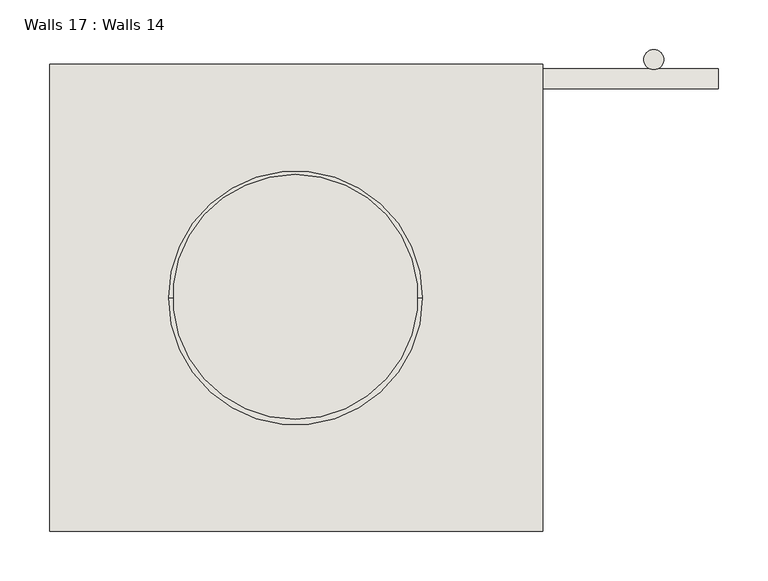
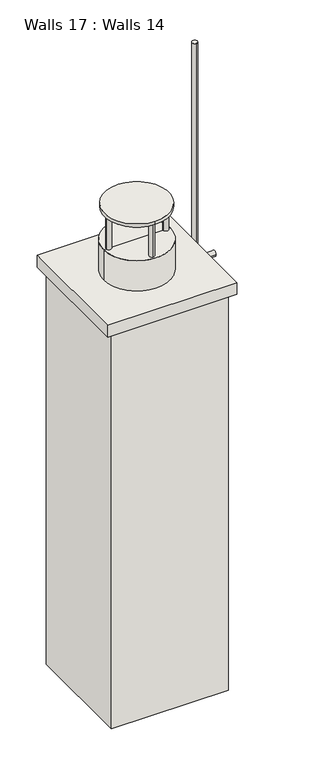
"""IFC4 building model written with IfcOpenShell, lengths in millimetres: wall geometry, Walls 17 : Walls 14."""

import ifcopenshell
import ifcopenshell.guid

model = None  # the IFC model being written
_history = None  # IfcOwnerHistory: only IFC2X3 demands one
_inside = {}  # id of a spatial element -> (the spatial element, [elements in it])
_under = {}  # id of a project, library or spatial element -> (it, [spatial elements below it])
_declared = {}  # id of a project -> (the project, [libraries it declares])
_typed = {}  # id of a type object -> (the type object, [elements of that type])
_made_of = {}  # id of a material, layer set ... -> (it, [elements and type objects made of it])


def new_model(schema):
    """Start an empty IFC model of exactly this schema.

    Asked for "IFC4X3", IfcOpenShell would pick the latest addendum, in which some entities
    have other attributes; the version numbers below select the first issue.
    IFC2X3 requires an IfcOwnerHistory on every rooted entity: one is made here for all.
    """
    global model, _history
    if schema == "IFC4X3":
        model = ifcopenshell.file(schema_version=(4, 3, 0, 0))
    else:
        model = ifcopenshell.file(schema=schema)
    _inside.clear()
    _under.clear()
    _declared.clear()
    _typed.clear()
    _made_of.clear()
    _history = None
    if model.schema == "IFC2X3":
        org = make("IfcOrganization", Name="unknown")
        user = make(
            "IfcPersonAndOrganization",
            ThePerson=make("IfcPerson", FamilyName="unknown"),
            TheOrganization=org,
        )
        app = make(
            "IfcApplication",
            ApplicationDeveloper=org,
            Version="unknown",
            ApplicationFullName="unknown",
            ApplicationIdentifier="unknown",
        )
        _history = make(
            "IfcOwnerHistory",
            OwningUser=user,
            OwningApplication=app,
            ChangeAction="ADDED",
            CreationDate=0,
        )
    return model


def make(cls, **values):
    """One entity of the class cls with the attributes given. An attribute that is None is left unset."""
    return model.create_entity(
        cls, **{name: value for name, value in values.items() if value is not None}
    )


def rooted(cls, **values):
    """An entity with a GlobalId (a new one), such as an element, a storey or a relation."""
    return make(cls, GlobalId=ifcopenshell.guid.new(), OwnerHistory=_history, **values)


def si_unit(unit_type, name, prefix=None):
    """IfcSIUnit, for example si_unit("LENGTHUNIT", "METRE", prefix="MILLI")."""
    return make("IfcSIUnit", UnitType=unit_type, Prefix=prefix, Name=name)


def assignment(units):
    """IfcUnitAssignment: the units of a project."""
    return None if units is None else make("IfcUnitAssignment", Units=units)


def point(xyz):
    """IfcCartesianPoint."""
    return None if xyz is None else make("IfcCartesianPoint", Coordinates=xyz)


def direction(xyz):
    """IfcDirection."""
    return None if xyz is None else make("IfcDirection", DirectionRatios=xyz)


def frame(location, z_axis=None, x_axis=None):
    """IfcAxis2Placement3D, a coordinate frame: its origin and axes. An axis left out is left unset."""
    return make(
        "IfcAxis2Placement3D",
        Location=point(location),
        Axis=direction(z_axis),
        RefDirection=direction(x_axis),
    )


def frame_2d(location, x_axis=None):
    """IfcAxis2Placement2D, a coordinate frame in the plane: its origin and x axis."""
    return make(
        "IfcAxis2Placement2D", Location=point(location), RefDirection=direction(x_axis)
    )


def origin():
    """The frame at (0, 0, 0) with its axes left unset."""
    return frame((0.0, 0.0, 0.0))


def place(relative_to, where):
    """IfcLocalPlacement: puts the frame where relative to a parent placement (None: the world)."""
    return make(
        "IfcLocalPlacement", PlacementRelTo=relative_to, RelativePlacement=where
    )


def context(
    kind, dimensions, precision=None, world=None, true_north=None, identifier=None
):
    """IfcGeometricRepresentationContext, for example the 3D "Model" context."""
    return make(
        "IfcGeometricRepresentationContext",
        ContextIdentifier=identifier,
        ContextType=kind,
        CoordinateSpaceDimension=dimensions,
        Precision=precision,
        WorldCoordinateSystem=world,
        TrueNorth=true_north,
    )


def project(units=None, contexts=None):
    """IfcProject with its units and contexts."""
    return rooted(
        "IfcProject",
        Name="project",
        RepresentationContexts=contexts,
        UnitsInContext=assignment(units),
    )


def spatial(cls, under=None, at=None, **own):
    """A site, building, storey or space (cls), placed at a placement, below another one or the project."""
    s = rooted(cls, ObjectPlacement=at, **own)
    if under is not None:
        _under.setdefault(under.id(), (under, []))[1].append(s)
    return s


def polyline(points):
    """IfcPolyline through the points."""
    return make("IfcPolyline", Points=[point(p) for p in points])


def circle_curve(where, radius):
    """IfcCircle in the frame where."""
    return make("IfcCircle", Position=where, Radius=radius)


def trimmed(basis, trim1, trim2, sense, master):
    """IfcTrimmedCurve: the piece of a basis curve between two trims."""
    return make(
        "IfcTrimmedCurve",
        BasisCurve=basis,
        Trim1=trim1,
        Trim2=trim2,
        SenseAgreement=sense,
        MasterRepresentation=master,
    )


def segment(curve, same_sense, transition):
    """IfcCompositeCurveSegment."""
    return make(
        "IfcCompositeCurveSegment",
        Transition=transition,
        SameSense=same_sense,
        ParentCurve=curve,
    )


def composite_curve(segments, self_intersect=None):
    """IfcCompositeCurve: segments joined end to end."""
    return make("IfcCompositeCurve", Segments=segments, SelfIntersect=self_intersect)


def outline(outer, holes=None, kind="AREA"):
    """IfcArbitraryClosedProfileDef: a profile drawn as a closed curve; with holes, ...WithVoids."""
    if holes is None:
        return make("IfcArbitraryClosedProfileDef", ProfileType=kind, OuterCurve=outer)
    return make(
        "IfcArbitraryProfileDefWithVoids",
        ProfileType=kind,
        OuterCurve=outer,
        InnerCurves=holes,
    )


def extrude(swept, where, along, depth):
    """IfcExtrudedAreaSolid: the profile swept, set in the frame where, extruded along a direction by depth."""
    return make(
        "IfcExtrudedAreaSolid",
        SweptArea=swept,
        Position=where,
        ExtrudedDirection=direction(along),
        Depth=depth,
    )


def shape(context_of_items, identifier, shape_type, items):
    """IfcShapeRepresentation: the items that make up one representation, for example the "Body"."""
    return make(
        "IfcShapeRepresentation",
        ContextOfItems=context_of_items,
        RepresentationIdentifier=identifier,
        RepresentationType=shape_type,
        Items=items,
    )


def source(mapping_origin, context_of_items, identifier, shape_type, items):
    """IfcRepresentationMap: a shape defined once, which mapped items show again and again."""
    return make(
        "IfcRepresentationMap",
        MappingOrigin=mapping_origin,
        MappedRepresentation=shape(context_of_items, identifier, shape_type, items),
    )


def transform(
    local_origin,
    x_axis=None,
    y_axis=None,
    z_axis=None,
    scale=None,
    scale2=None,
    scale3=None,
    uniform=True,
):
    """IfcCartesianTransformationOperator3D, or its non-uniform kind. x_axis, y_axis, z_axis: its Axis1, 2, 3."""
    if uniform:
        return make(
            "IfcCartesianTransformationOperator3D",
            Axis1=direction(x_axis),
            Axis2=direction(y_axis),
            LocalOrigin=point(local_origin),
            Scale=scale,
            Axis3=direction(z_axis),
        )
    return make(
        "IfcCartesianTransformationOperator3DnonUniform",
        Axis1=direction(x_axis),
        Axis2=direction(y_axis),
        LocalOrigin=point(local_origin),
        Scale=scale,
        Axis3=direction(z_axis),
        Scale2=scale2,
        Scale3=scale3,
    )


def mapped(mapping_source, mapping_target):
    """IfcMappedItem: shows the shape of a source again, moved by a transform."""
    return make(
        "IfcMappedItem", MappingSource=mapping_source, MappingTarget=mapping_target
    )


def made_of(thing, what):
    """Note that an element or type object is made of a material, layer set ...; save() writes the relation."""
    if what is not None:
        _made_of.setdefault(what.id(), (what, []))[1].append(thing)
    return thing


def element(
    cls,
    number,
    at=None,
    inside=None,
    cuts=None,
    type_object=None,
    material=None,
    context=None,
    identifier="Body",
    shape_type=None,
    held_by="IfcProductDefinitionShape",
    body=None,
    shapes=None,
    **own,
):
    """One element of the class cls, such as IfcWall. Its Tag is "e" and its number.

    at: its placement. inside: the storey or other place that contains it. cuts: it is an
    opening in that element (IfcRelVoidsElement). A single representation is given by context,
    identifier, shape_type and body (its items); several are given by shapes. held_by: the class
    of the entity that holds the representations. save() writes the other relations.
    """
    e = rooted(cls, Tag="e%d" % number, ObjectPlacement=at, **own)
    if body is not None:
        shapes = [shape(context, identifier, shape_type, body)]
    if shapes is not None:
        e.Representation = make(held_by, Representations=shapes)
    if inside is not None:
        _inside.setdefault(inside.id(), (inside, []))[1].append(e)
    if cuts is not None:
        rooted(
            "IfcRelVoidsElement", RelatingBuildingElement=cuts, RelatedOpeningElement=e
        )
    if type_object is not None:
        _typed.setdefault(type_object.id(), (type_object, []))[1].append(e)
    return made_of(e, material)


def aggregate(whole, parts):
    """IfcRelAggregates: a whole, such as a stair, and the parts it consists of."""
    return rooted("IfcRelAggregates", RelatingObject=whole, RelatedObjects=parts)


def save(model, path):
    """Write the relations noted so far, then the file.

    IfcRelAggregates (storeys below a building ...), IfcRelContainedInSpatialStructure (elements
    in a storey), IfcRelDefinesByType, IfcRelAssociatesMaterial and IfcRelDeclares: one each for
    every whole, place, type object, material and project.
    """
    for whole, parts in _under.values():
        aggregate(whole, parts)
    for where, things in _inside.values():
        rooted(
            "IfcRelContainedInSpatialStructure",
            RelatedElements=things,
            RelatingStructure=where,
        )
    for kind, things in _typed.values():
        rooted("IfcRelDefinesByType", RelatedObjects=things, RelatingType=kind)
    for what, things in _made_of.values():
        rooted("IfcRelAssociatesMaterial", RelatedObjects=things, RelatingMaterial=what)
    for by, libraries in _declared.values():
        rooted("IfcRelDeclares", RelatingContext=by, RelatedDefinitions=libraries)
    model.write(path)


def plane_surface(at):
    """IfcPlane: the flat surface through the origin of the frame at, square to its z axis."""
    return make("IfcPlane", Position=at)


def cylinder_surface(at, radius):
    """IfcCylindricalSurface: all points at the distance radius from the z axis of the frame at."""
    return make("IfcCylindricalSurface", Position=at, Radius=radius)


def advanced_brep(points, edges, surfaces, faces):
    """IfcAdvancedBrep: a solid bounded by faces that lie on surfaces and meet in shared edges.

    An edge is (start, end): straight between two places in points (the first is 0);
    or (start, end, curve); or (start, end, curve, False) where it runs against its curve.
    A face is (place in surfaces, loops), or (place, loops, False) where it looks against
    its surface's normal. A loop lists edges by number (the first is 1), with a minus sign
    where the edge is run from its end to its start. The first loop is the outer one.
    """
    corners = [point(p) for p in points]
    vertices = [make("IfcVertexPoint", VertexGeometry=c) for c in corners]
    made = []
    for start, end, *more in edges:
        made.append(
            make(
                "IfcEdgeCurve",
                EdgeStart=vertices[start],
                EdgeEnd=vertices[end],
                EdgeGeometry=more[0] if more else make("IfcPolyline", Points=[corners[start], corners[end]]),
                SameSense=more[1] if len(more) > 1 else True,
            )
        )
    hull = []
    for where, loops, *sense in faces:
        bounds = []
        for j, loop in enumerate(loops):
            ring = [make("IfcOrientedEdge", EdgeElement=made[abs(k) - 1], Orientation=k > 0) for k in loop]
            bounds.append(
                make(
                    "IfcFaceOuterBound" if j == 0 else "IfcFaceBound",
                    Bound=make("IfcEdgeLoop", EdgeList=ring),
                    Orientation=True,
                )
            )
        hull.append(make("IfcAdvancedFace", Bounds=bounds, FaceSurface=surfaces[where], SameSense=sense[0] if sense else True))
    return make("IfcAdvancedBrep", Outer=make("IfcClosedShell", CfsFaces=hull))


def walls_17_walls_14_3ff1fa7d(model_context):
    return source(origin(), model_context, "Body", "SolidModel", [
        extrude(outline(composite_curve([segment(trimmed(circle_curve(frame_2d((-56547.6506195, 48545.8834886)), 10.0), [point((-56547.6506195, 48555.8834886))], [point((-56547.6506195, 48535.8834886))], False, "CARTESIAN"), True, "CONTINUOUS"), segment(trimmed(circle_curve(frame_2d((-56547.6506195, 48545.8834886)), 10.0), [point((-56547.6506195, 48535.8834886))], [point((-56547.6506195, 48555.8834886))], False, "CARTESIAN"), True, "CONTINUOUS")], self_intersect=False)), frame((0.0, 0.0, 114777.4079307), z_axis=(0.0, 0.0, 1.0), x_axis=(1.0, 0.0, 0.0)), (0.0, 0.0, 1.0), 1177.0983151),
        extrude(outline(composite_curve([segment(trimmed(circle_curve(frame_2d((48526.5486355, 115084.9767194)), 10.0), [point((48516.5486355, 115084.9767194))], [point((48536.5486355, 115084.9767194))], False, "CARTESIAN"), True, "CONTINUOUS"), segment(trimmed(circle_curve(frame_2d((48526.5486355, 115084.9767194)), 10.0), [point((48536.5486355, 115084.9767194))], [point((48516.5486355, 115084.9767194))], False, "CARTESIAN"), True, "CONTINUOUS")], self_intersect=False)), frame((-56844.1362214, 0.0, 0.0), z_axis=(1.0, 0.0, 0.0), x_axis=(0.0, 1.0, 0.0)), (0.0, 0.0, 1.0), 361.5290176),
        extrude(outline(composite_curve([segment(trimmed(circle_curve(frame_2d((48526.8863187, 114939.7040519)), 10.0), [point((48516.8863187, 114939.7040519))], [point((48536.8863187, 114939.7040519))], False, "CARTESIAN"), True, "CONTINUOUS"), segment(trimmed(circle_curve(frame_2d((48526.8863187, 114939.7040519)), 10.0), [point((48536.8863187, 114939.7040519))], [point((48516.8863187, 114939.7040519))], False, "CARTESIAN"), True, "CONTINUOUS")], self_intersect=False)), frame((-56844.1362214, 0.0, 0.0), z_axis=(1.0, 0.0, 0.0), x_axis=(0.0, 1.0, 0.0)), (0.0, 0.0, 1.0), 361.5290176),
        extrude(outline(composite_curve([segment(trimmed(circle_curve(frame_2d((-56908.6661028, 48306.868877)), 123.3421824), [point((-56908.6661028, 48183.5266946))], [point((-56908.6661028, 48430.2110595))], False, "CARTESIAN"), True, "CONTINUOUS"), segment(trimmed(circle_curve(frame_2d((-56908.6661028, 48306.868877)), 123.3421824), [point((-56908.6661028, 48430.2110595))], [point((-56908.6661028, 48183.5266946))], False, "CARTESIAN"), True, "CONTINUOUS")], self_intersect=False)), frame((0.0, 0.0, 115558.9138493), z_axis=(0.0, 0.0, 1.0), x_axis=(1.0, 0.0, 0.0)), (0.0, 0.0, 1.0), 13.0962291),
        extrude(outline(composite_curve([segment(trimmed(circle_curve(frame_2d((-56913.0269595, 48415.5937311)), 10.0), [point((-56913.0269595, 48405.5937311))], [point((-56913.0269595, 48425.5937311))], False, "CARTESIAN"), True, "CONTINUOUS"), segment(trimmed(circle_curve(frame_2d((-56913.0269595, 48415.5937311)), 10.0), [point((-56913.0269595, 48425.5937311))], [point((-56913.0269595, 48405.5937311))], False, "CARTESIAN"), True, "CONTINUOUS")], self_intersect=False)), frame((0.0, 0.0, 115426.3455574), z_axis=(0.0, 0.0, 1.0), x_axis=(1.0, 0.0, 0.0)), (0.0, 0.0, 1.0), 139.4268122),
        extrude(outline(composite_curve([segment(trimmed(circle_curve(frame_2d((-56913.7976487, 48196.7180175)), 10.0), [point((-56913.7976487, 48186.7180175))], [point((-56913.7976487, 48206.7180175))], False, "CARTESIAN"), True, "CONTINUOUS"), segment(trimmed(circle_curve(frame_2d((-56913.7976487, 48196.7180175)), 10.0), [point((-56913.7976487, 48206.7180175))], [point((-56913.7976487, 48186.7180175))], False, "CARTESIAN"), True, "CONTINUOUS")], self_intersect=False)), frame((0.0, 0.0, 115426.3455574), z_axis=(0.0, 0.0, 1.0), x_axis=(1.0, 0.0, 0.0)), (0.0, 0.0, 1.0), 139.4268122),
        extrude(outline(composite_curve([segment(trimmed(circle_curve(frame_2d((-57016.8519671, 48305.7705297)), 10.0), [point((-57006.8519671, 48305.7705297))], [point((-57026.8519671, 48305.7705297))], False, "CARTESIAN"), True, "CONTINUOUS"), segment(trimmed(circle_curve(frame_2d((-57016.8519671, 48305.7705297)), 10.0), [point((-57026.8519671, 48305.7705297))], [point((-57006.8519671, 48305.7705297))], False, "CARTESIAN"), True, "CONTINUOUS")], self_intersect=False)), frame((0.0, 0.0, 115426.3455574), z_axis=(0.0, 0.0, 1.0), x_axis=(1.0, 0.0, 0.0)), (0.0, 0.0, 1.0), 139.4268122),
        extrude(outline(composite_curve([segment(trimmed(circle_curve(frame_2d((-56797.9762535, 48304.9998406)), 10.0), [point((-56787.9762535, 48304.9998406))], [point((-56807.9762535, 48304.9998406))], False, "CARTESIAN"), True, "CONTINUOUS"), segment(trimmed(circle_curve(frame_2d((-56797.9762535, 48304.9998406)), 10.0), [point((-56807.9762535, 48304.9998406))], [point((-56787.9762535, 48304.9998406))], False, "CARTESIAN"), True, "CONTINUOUS")], self_intersect=False)), frame((0.0, 0.0, 115426.3455574), z_axis=(0.0, 0.0, 1.0), x_axis=(1.0, 0.0, 0.0)), (0.0, 0.0, 1.0), 139.4268122),
        advanced_brep(
        [(-56780.8426665, 48305.8440975, 115426.3455574), (-57036.3652265, 48305.8440975, 115426.3455574), (-56908.6039465, 48305.8440975, 115426.3455574), (-56780.8426665, 48305.8440975, 115288.035181), (-57036.3652265, 48305.8440975, 115288.035181), (-56908.6039465, 48305.8440975, 115288.035181)],
        [
            (0, 1, circle_curve(frame((-56908.6039465, 48305.8440975, 115426.3455574), z_axis=(0.0, 0.0, 1.0), x_axis=(-1.0, 0.0, 0.0)), 127.76128)),
            (1, 2),
            (2, 0),
            (1, 0, circle_curve(frame((-56908.6039465, 48305.8440975, 115426.3455574), z_axis=(0.0, 0.0, 1.0), x_axis=(-1.0, 0.0, 0.0)), 127.76128)),
            (3, 4, circle_curve(frame((-56908.6039465, 48305.8440975, 115288.035181), z_axis=(0.0, 0.0, 1.0), x_axis=(-1.0, 0.0, 0.0)), 127.76128)),
            (4, 1),
            (0, 3),
            (4, 3, circle_curve(frame((-56908.6039465, 48305.8440975, 115288.035181), z_axis=(0.0, 0.0, 1.0), x_axis=(-1.0, 0.0, 0.0)), 127.76128)),
            (5, 4),
            (3, 5),
        ],
        [
            plane_surface(frame((-56908.6039465, 48305.8440975, 115426.3455574), z_axis=(0.0, 0.0, 1.0), x_axis=(-1.0, 0.0, 0.0))),
            cylinder_surface(frame((-56908.6039465, 48305.8440975, 115426.3455574), z_axis=(0.0, 0.0, -1.0), x_axis=(-1.0, 0.0, 0.0)), 127.76128),
            plane_surface(frame((-56908.6039465, 48305.8440975, 115288.035181), z_axis=(0.0, 0.0, -1.0), x_axis=(-1.0, 0.0, 0.0))),
        ],
        [
            (0, [[1, 2, 3]]),
            (0, [[4, -3, -2]]),
            (1, [[5, 6, -1, 7]]),
            (1, [[8, -7, -4, -6]]),
            (2, [[9, -5, 10]]),
            (2, [[-10, -8, -9]]),
        ],
    ),
        extrude(outline(polyline([(-56659.5431241, 48071.0402046), (-57156.2870108, 48071.0402046), (-57156.2870108, 48541.2818677), (-56659.5431241, 48541.2818677), (-56659.5431241, 48071.0402046)])), frame((0.0, 0.0, 115255.2628867), z_axis=(0.0, 0.0, 1.0), x_axis=(1.0, 0.0, 0.0)), (0.0, 0.0, 1.0), 48.5229956),
        extrude(outline(polyline([(-56684.2276126, 48085.8440975), (-57133.3351422, 48085.8440975), (-57133.3351422, 48518.6419951), (-56684.2276126, 48518.6419951), (-56684.2276126, 48085.8440975)])), frame((0.0, 0.0, 113646.2783928), z_axis=(0.0, 0.0, 1.0), x_axis=(1.0, 0.0, 0.0)), (0.0, 0.0, 1.0), 1615.8477504),
    ])


if __name__ == "__main__":
    model = new_model("IFC4")
    model_context = context("Model", 3, world=origin())
    ifc_project = project(units=[si_unit("LENGTHUNIT", "METRE", prefix="MILLI")], contexts=[model_context])
    site = spatial("IfcSite", under=ifc_project)
    building = spatial("IfcBuilding", under=site)
    placement = place(None, origin())
    walls_17_walls_14_shape = walls_17_walls_14_3ff1fa7d(model_context)
    element("IfcWall", 1, ObjectType="Walls 17 : Walls 14", at=placement, inside=building, context=model_context, shape_type="MappedRepresentation", body=[
        mapped(walls_17_walls_14_shape, transform((0.0, 0.0, 0.0), x_axis=(1.0, 0.0, 0.0), y_axis=(0.0, 1.0, 0.0), z_axis=(0.0, 0.0, 1.0))),
    ])
    save(model, "model.ifc")
